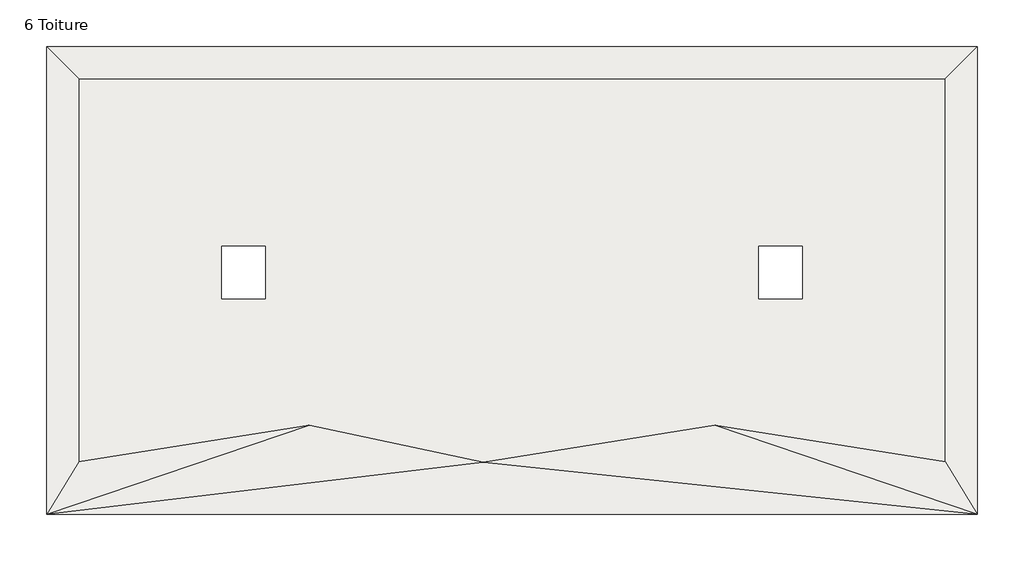
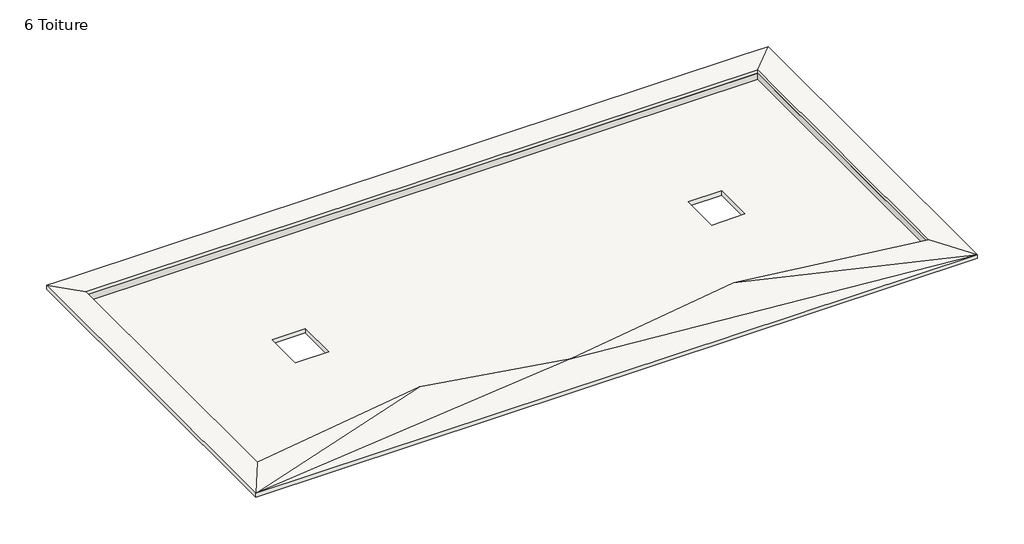
# One storey: 7 walls, 2 slabs.
"""IFC4 building model written with IfcOpenShell, lengths in millimetres."""

from ifc_helpers import new_model, si_unit, origin, place, context, project, spatial, faceted_brep, element, save

model = new_model("IFC4")

# Units and contexts
model_context = context("Model", 3, world=origin())
ifc_project = project(units=[si_unit("LENGTHUNIT", "METRE", prefix="MILLI")], contexts=[model_context])

# Site, building, storey
site = spatial("IfcSite", under=ifc_project)
building = spatial("IfcBuilding", under=site)
storey = spatial("IfcBuildingStorey", under=building, Name="6 Toiture", Elevation=17760.0)

# Slabs
placement = place(None, origin())
element("IfcSlab", 1, at=placement, inside=storey, context=model_context, shape_type="Brep", body=[
    faceted_brep([(-20020.1776751, -3954.4834406, 17540.0), (-16600.1776751, -3954.4834406, 17540.0), (-4920.1776751, -3954.4834406, 17540.0), (-1440.1776751, -3954.4834406, 17540.0), (9179.8223249, -3954.4834406, 17540.0), (12599.8223249, -3954.4834406, 17540.0), (12599.8223249, -17318.4834406, 17540.0), (12599.8223249, -18218.4834406, 17540.0), (12599.8223249, -18629.1152621, 17540.0), (12143.4087221, -18556.6415171, 17540.0), (4535.0452704, -17348.512335, 17540.0), (3824.8769313, -17235.7449705, 17540.0), (-4433.716115, -18556.2570914, 17540.0), (-4792.8066273, -18613.6740595, 17540.0), (-5148.4507079, -18537.7794474, 17540.0), (-10547.2329148, -17385.6768154, 17540.0), (-11247.8611952, -17236.1624147, 17540.0), (-19563.7640724, -18556.6415171, 17540.0), (-20020.1776751, -18629.1152621, 17540.0), (-20020.1776751, -18218.4834406, 17540.0), (-20020.1776751, -17318.4834406, 17540.0), (-12895.1776751, -10389.4834406, 17540.0), (-14495.1776751, -10389.4834406, 17540.0), (-14495.1776751, -12334.4834406, 17540.0), (-12895.1776751, -12334.4834406, 17540.0), (7074.8223249, -12334.4834406, 17540.0), (7074.8223249, -10389.4834406, 17540.0), (5474.8223249, -10389.4834406, 17540.0), (5474.8223249, -12334.4834406, 17540.0), (12599.8223249, -3954.4834406, 17760.0), (-20020.1776751, -3954.4834406, 17760.0), (-20020.1776751, -18629.1152621, 17760.0), (-11247.8611952, -17236.1624147, 17760.0), (-4792.8066273, -18613.6740595, 17760.0), (3824.8769313, -17235.7449705, 17760.0), (12599.8223249, -18629.1152621, 17760.0), (-14495.1776751, -10389.4834406, 17760.0), (-12895.1776751, -10389.4834406, 17760.0), (-12895.1776751, -12334.4834406, 17760.0), (-14495.1776751, -12334.4834406, 17760.0), (7074.8223249, -10389.4834406, 17760.0), (7074.8223249, -12334.4834406, 17760.0), (5474.8223249, -12334.4834406, 17760.0), (5474.8223249, -10389.4834406, 17760.0)], [[[0, 1, 2, 3, 4, 5, 6, 7, 8, 9, 10, 11, 12, 13, 14, 15, 16, 17, 18, 19, 20], [21, 22, 23, 24], [25, 26, 27, 28]], [[29, 30, 31, 32, 33, 34, 35], [36, 37, 38, 39], [40, 41, 42, 43]], [[5, 4, 3, 2, 1, 0, 30, 29]], [[8, 7, 6, 5, 29, 35]], [[11, 10, 9, 8, 35, 34]], [[13, 12, 11, 34, 33]], [[16, 15, 14, 13, 33, 32]], [[18, 17, 16, 32, 31]], [[0, 20, 19, 18, 31, 30]], [[21, 37, 36, 22]], [[22, 36, 39, 23]], [[23, 39, 38, 24]], [[37, 21, 24, 38]], [[25, 41, 40, 26]], [[26, 40, 43, 27]], [[27, 43, 42, 28]], [[41, 25, 28, 42]]]),
])
element("IfcSlab", 2, at=placement, inside=storey, context=model_context, shape_type="Brep", body=[
    faceted_brep([(-11242.4941551, -17032.8044665, 18080.0), (-11242.4941551, -17032.8044665, 18260.0), (-4787.548723, -18410.2928217, 18260.0), (-4787.548723, -18410.2928217, 18080.0), (3824.7677185, -17033.2219107, 18260.0), (3824.7677185, -17033.2219107, 18080.0), (12399.8223249, -18394.8516191, 18260.0), (12399.8223249, -18394.8516191, 18080.0), (12399.8223249, -4154.4834406, 18260.0), (12399.8223249, -4154.4834406, 18080.0), (-19820.1776751, -4154.4834406, 18260.0), (-19820.1776751, -4154.4834406, 18080.0), (-19820.1776751, -18394.8516191, 18260.0), (-19820.1776751, -18394.8516191, 18080.0), (12399.8223249, -2954.4834406, 18100.0), (12399.8223249, -2954.4834406, 18280.0), (13599.8223249, -2954.4834406, 18280.0), (13599.8223249, -2954.4834406, 18100.0), (13599.8223249, -20354.4834406, 18280.0), (13599.8223249, -20354.4834406, 18100.0), (-21020.1776751, -20354.4834406, 18280.0), (-21020.1776751, -20354.4834406, 18100.0), (-21020.1776751, -2954.4834406, 18280.0), (-21020.1776751, -2954.4834406, 18100.0), (-19820.1776751, -2954.4834406, 18280.0), (-19820.1776751, -2954.4834406, 18100.0)], [[[0, 1, 2, 3]], [[3, 2, 4, 5]], [[5, 4, 6, 7]], [[7, 6, 8, 9]], [[9, 8, 10, 11]], [[11, 10, 12, 13]], [[13, 12, 1, 0]], [[14, 15, 16, 17]], [[17, 16, 18, 19]], [[19, 18, 20, 21]], [[21, 20, 22, 23]], [[23, 22, 24, 25]], [[25, 24, 15, 14]], [[4, 2, 18]], [[2, 20, 18]], [[6, 4, 18]], [[12, 10, 22, 20]], [[5, 19, 3]], [[3, 19, 21]], [[7, 19, 5]], [[13, 21, 23, 11]], [[12, 20, 1]], [[2, 1, 20]], [[13, 0, 21]], [[3, 21, 0]], [[8, 6, 18, 16]], [[9, 17, 19, 7]], [[10, 8, 16, 15, 24, 22]], [[11, 23, 25, 14, 17, 9]]]),
])

# Walls
element("IfcWall", 3, at=placement, inside=storey, context=model_context, shape_type="Brep", body=[
    faceted_brep([(-20020.1776751, -18629.1152621, 17760.0), (-11247.8611952, -17236.1624147, 17760.0), (-11247.8611952, -17236.1624147, 18080.7562654), (-12361.738079, -17413.0345078, 18082.2893846), (-19957.5407536, -18619.1691688, 18082.2893846), (-20020.1776751, -18629.1152621, 18083.3333333), (-19820.1776751, -18394.8516191, 17760.0), (-19820.1776751, -18394.8516191, 18080.0), (-11242.4941551, -17032.8044665, 18080.0), (-11242.4941551, -17032.8044665, 17760.0)], [[[0, 1, 2, 3, 4, 5]], [[6, 7, 8, 9]], [[2, 1, 9, 8]], [[0, 5, 7, 6]], [[1, 0, 6, 9]], [[5, 4, 7]], [[4, 3, 8, 7]], [[3, 2, 8]]]),
])
element("IfcWall", 4, at=placement, inside=storey, context=model_context, shape_type="Brep", body=[
    faceted_brep([(-11247.8611952, -17236.1624147, 17760.0), (-4792.8066273, -18613.6740595, 17760.0), (-4792.8066273, -18613.6740595, 18082.0921944), (-5401.3574835, -18483.809024, 18080.7562654), (-11247.8611952, -17236.1624147, 18080.7562654), (-11242.4941551, -17032.8044665, 17760.0), (-11242.4941551, -17032.8044665, 18080.0), (-4787.548723, -18410.2928217, 18080.0), (-4787.548723, -18410.2928217, 17760.0)], [[[0, 1, 2, 3, 4]], [[5, 6, 7, 8]], [[0, 4, 6, 5]], [[2, 1, 8, 7]], [[1, 0, 5, 8]], [[4, 3, 7, 6]], [[3, 2, 7]]]),
])
element("IfcWall", 5, at=placement, inside=storey, context=model_context, shape_type="Brep", body=[
    faceted_brep([(-4792.8066273, -18613.6740595, 17760.0), (3824.8769313, -17235.7449705, 17760.0), (3824.8769313, -17235.7449705, 18080.829362), (-4025.0594069, -18490.91471, 18080.829362), (-4792.8066273, -18613.6740595, 18082.0921944), (-4787.548723, -18410.2928217, 17760.0), (-4787.548723, -18410.2928217, 18080.0), (3824.7677185, -17033.2219107, 18080.0), (3824.7677185, -17033.2219107, 17760.0)], [[[0, 1, 2, 3, 4]], [[5, 6, 7, 8]], [[0, 4, 6, 5]], [[2, 1, 8, 7]], [[1, 0, 5, 8]], [[4, 3, 6]], [[3, 2, 7, 6]]]),
])
element("IfcWall", 6, at=placement, inside=storey, context=model_context, shape_type="Brep", body=[
    faceted_brep([(3824.8769313, -17235.7449705, 17760.0), (12599.8223249, -18629.1152621, 17760.0), (12599.8223249, -18629.1152621, 18083.3333333), (12537.1854033, -18619.1691688, 18082.2893846), (4943.7107126, -17413.4041675, 18082.2893846), (3824.8769313, -17235.7449705, 18080.829362), (3824.7677185, -17033.2219107, 17760.0), (3824.7677185, -17033.2219107, 18080.0), (12399.8223249, -18394.8516191, 18080.0), (12399.8223249, -18394.8516191, 17760.0)], [[[0, 1, 2, 3, 4, 5]], [[6, 7, 8, 9]], [[0, 5, 7, 6]], [[2, 1, 9, 8]], [[1, 0, 6, 9]], [[5, 4, 7]], [[4, 3, 8, 7]], [[3, 2, 8]]]),
])
element("IfcWall", 7, at=placement, inside=storey, context=model_context, shape_type="Brep", body=[
    faceted_brep([(12599.8223249, -18629.1152621, 17760.0), (12599.8223249, -3954.4834406, 17760.0), (12599.8223249, -3954.4834406, 18083.3333333), (12599.8223249, -18629.1152621, 18083.3333333), (12399.8223249, -18394.8516191, 17760.0), (12399.8223249, -18394.8516191, 18080.0), (12399.8223249, -4154.4834406, 18080.0), (12399.8223249, -4154.4834406, 17760.0)], [[[0, 1, 2, 3]], [[4, 5, 6, 7]], [[0, 3, 5, 4]], [[2, 1, 7, 6]], [[1, 0, 4, 7]], [[3, 2, 6, 5]]]),
])
element("IfcWall", 8, at=placement, inside=storey, context=model_context, shape_type="Brep", body=[
    faceted_brep([(12599.8223249, -3954.4834406, 17760.0), (-20020.1776751, -3954.4834406, 17760.0), (-20020.1776751, -3954.4834406, 18083.3333333), (12599.8223249, -3954.4834406, 18083.3333333), (12399.8223249, -4154.4834406, 17760.0), (12399.8223249, -4154.4834406, 18080.0), (-19820.1776751, -4154.4834406, 18080.0), (-19820.1776751, -4154.4834406, 17760.0)], [[[0, 1, 2, 3]], [[4, 5, 6, 7]], [[0, 3, 5, 4]], [[2, 1, 7, 6]], [[1, 0, 4, 7]], [[3, 2, 6, 5]]]),
])
element("IfcWall", 9, at=placement, inside=storey, context=model_context, shape_type="Brep", body=[
    faceted_brep([(-20020.1776751, -3954.4834406, 17760.0), (-20020.1776751, -18629.1152621, 17760.0), (-20020.1776751, -18629.1152621, 18083.3333333), (-20020.1776751, -3954.4834406, 18083.3333333), (-19820.1776751, -4154.4834406, 17760.0), (-19820.1776751, -4154.4834406, 18080.0), (-19820.1776751, -18394.8516191, 18080.0), (-19820.1776751, -18394.8516191, 17760.0)], [[[0, 1, 2, 3]], [[4, 5, 6, 7]], [[2, 1, 7, 6]], [[0, 3, 5, 4]], [[1, 0, 4, 7]], [[3, 2, 6, 5]]]),
])

save(model, "model.ifc")
